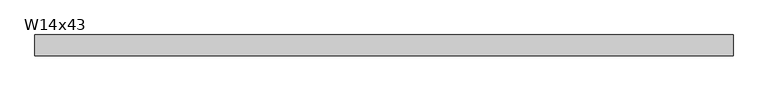
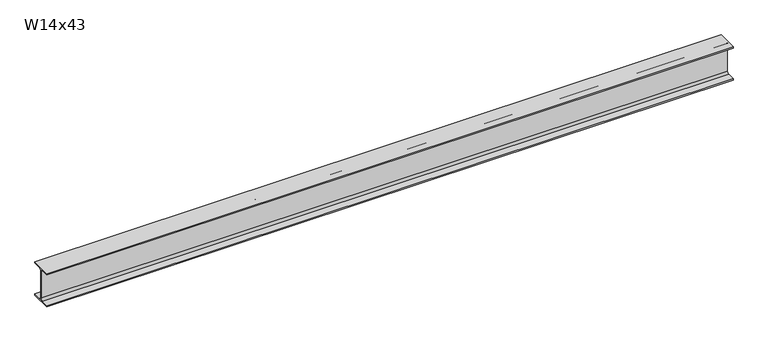
"""IFC4 building model written with IfcOpenShell, lengths in millimetres: beam geometry, W14x43."""

from ifc_helpers import new_model, si_unit, point, frame, frame_2d, origin, place, context, project, spatial, polyline, circle_curve, trimmed, segment, composite_curve, outline, extrude, source, transform, mapped, element, save


def w14x43_b372a148(model_context):
    return source(origin(), model_context, "Body", "SweptSolid", [
        extrude(outline(composite_curve([segment(polyline([(101.6, -160.528), (101.6, -173.99), (-101.6, -173.99), (-101.6, -160.528), (-25.3365, -160.528)]), True, "CONTINUOUS"), segment(trimmed(circle_curve(frame_2d((-25.3365, -139.065)), 21.463), [point((-25.3365, -160.528))], [point((-3.8735, -139.065))], True, "CARTESIAN"), True, "CONTINUOUS"), segment(polyline([(-3.8735, -139.065), (-3.8735, 139.065)]), True, "CONTINUOUS"), segment(trimmed(circle_curve(frame_2d((-25.3365, 139.065)), 21.463), [point((-3.8735, 139.065))], [point((-25.3365, 160.528))], True, "CARTESIAN"), True, "CONTINUOUS"), segment(polyline([(-25.3365, 160.528), (-101.6, 160.528), (-101.6, 173.99), (101.6, 173.99), (101.6, 160.528), (25.3365, 160.528)]), True, "CONTINUOUS"), segment(trimmed(circle_curve(frame_2d((25.3365, 139.065)), 21.463), [point((25.3365, 160.528))], [point((3.8735, 139.065))], True, "CARTESIAN"), True, "CONTINUOUS"), segment(polyline([(3.8735, 139.065), (3.8735, -139.065)]), True, "CONTINUOUS"), segment(trimmed(circle_curve(frame_2d((25.3365, -139.065)), 21.463), [point((3.8735, -139.065))], [point((25.3365, -160.528))], True, "CARTESIAN"), True, "CONTINUOUS"), segment(polyline([(25.3365, -160.528), (101.6, -160.528)]), True, "CONTINUOUS")], self_intersect=False)), frame((-3326.8005532, 0.0, 0.0), z_axis=(1.0, 0.0, 0.0), x_axis=(0.0, 1.0, 0.0)), (0.0, 0.0, 1.0), 6755.8008972),
    ])


if __name__ == "__main__":
    model = new_model("IFC4")
    model_context = context("Model", 3, world=origin())
    ifc_project = project(units=[si_unit("LENGTHUNIT", "METRE", prefix="MILLI")], contexts=[model_context])
    site = spatial("IfcSite", under=ifc_project)
    building = spatial("IfcBuilding", under=site)
    placement = place(None, origin())
    w14x43_shape = w14x43_b372a148(model_context)
    element("IfcBeam", 1, ObjectType="W14x43", at=placement, inside=building, context=model_context, shape_type="MappedRepresentation", body=[
        mapped(w14x43_shape, transform((0.0, 0.0, 0.0), x_axis=(1.0, 0.0, 0.0), y_axis=(0.0, 1.0, 0.0), z_axis=(0.0, 0.0, 1.0))),
    ])
    save(model, "model.ifc")
